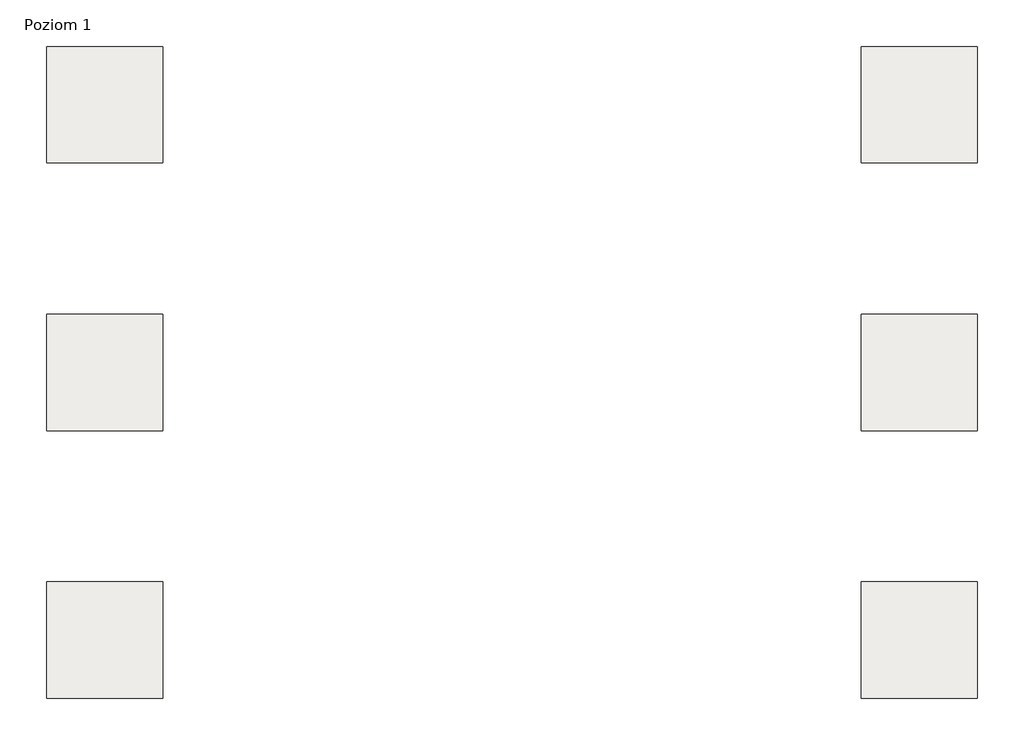
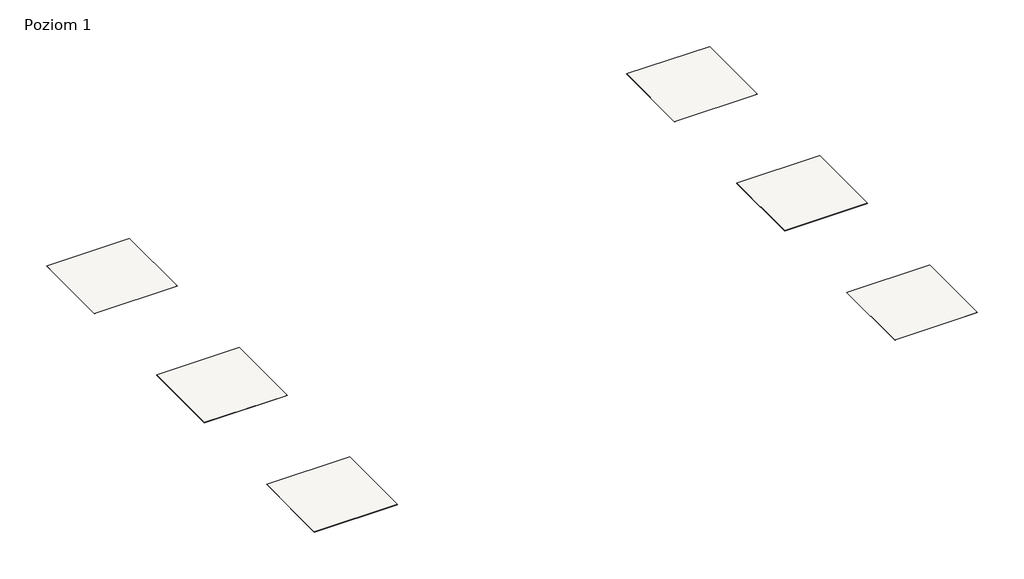
# One storey: 6 slabs.
"""IFC4 building model written with IfcOpenShell, lengths in millimetres."""

import ifcopenshell
import ifcopenshell.guid

model = None  # the IFC model being written
_history = None  # IfcOwnerHistory: only IFC2X3 demands one
_inside = {}  # id of a spatial element -> (the spatial element, [elements in it])
_under = {}  # id of a project, library or spatial element -> (it, [spatial elements below it])
_declared = {}  # id of a project -> (the project, [libraries it declares])
_typed = {}  # id of a type object -> (the type object, [elements of that type])
_made_of = {}  # id of a material, layer set ... -> (it, [elements and type objects made of it])


def new_model(schema):
    """Start an empty IFC model of exactly this schema.

    Asked for "IFC4X3", IfcOpenShell would pick the latest addendum, in which some entities
    have other attributes; the version numbers below select the first issue.
    IFC2X3 requires an IfcOwnerHistory on every rooted entity: one is made here for all.
    """
    global model, _history
    if schema == "IFC4X3":
        model = ifcopenshell.file(schema_version=(4, 3, 0, 0))
    else:
        model = ifcopenshell.file(schema=schema)
    _inside.clear()
    _under.clear()
    _declared.clear()
    _typed.clear()
    _made_of.clear()
    _history = None
    if model.schema == "IFC2X3":
        org = make("IfcOrganization", Name="unknown")
        user = make(
            "IfcPersonAndOrganization",
            ThePerson=make("IfcPerson", FamilyName="unknown"),
            TheOrganization=org,
        )
        app = make(
            "IfcApplication",
            ApplicationDeveloper=org,
            Version="unknown",
            ApplicationFullName="unknown",
            ApplicationIdentifier="unknown",
        )
        _history = make(
            "IfcOwnerHistory",
            OwningUser=user,
            OwningApplication=app,
            ChangeAction="ADDED",
            CreationDate=0,
        )
    return model


def make(cls, **values):
    """One entity of the class cls with the attributes given. An attribute that is None is left unset."""
    return model.create_entity(
        cls, **{name: value for name, value in values.items() if value is not None}
    )


def rooted(cls, **values):
    """An entity with a GlobalId (a new one), such as an element, a storey or a relation."""
    return make(cls, GlobalId=ifcopenshell.guid.new(), OwnerHistory=_history, **values)


def si_unit(unit_type, name, prefix=None):
    """IfcSIUnit, for example si_unit("LENGTHUNIT", "METRE", prefix="MILLI")."""
    return make("IfcSIUnit", UnitType=unit_type, Prefix=prefix, Name=name)


def assignment(units):
    """IfcUnitAssignment: the units of a project."""
    return None if units is None else make("IfcUnitAssignment", Units=units)


def point(xyz):
    """IfcCartesianPoint."""
    return None if xyz is None else make("IfcCartesianPoint", Coordinates=xyz)


def direction(xyz):
    """IfcDirection."""
    return None if xyz is None else make("IfcDirection", DirectionRatios=xyz)


def frame(location, z_axis=None, x_axis=None):
    """IfcAxis2Placement3D, a coordinate frame: its origin and axes. An axis left out is left unset."""
    return make(
        "IfcAxis2Placement3D",
        Location=point(location),
        Axis=direction(z_axis),
        RefDirection=direction(x_axis),
    )


def origin():
    """The frame at (0, 0, 0) with its axes left unset."""
    return frame((0.0, 0.0, 0.0))


def place(relative_to, where):
    """IfcLocalPlacement: puts the frame where relative to a parent placement (None: the world)."""
    return make(
        "IfcLocalPlacement", PlacementRelTo=relative_to, RelativePlacement=where
    )


def context(
    kind, dimensions, precision=None, world=None, true_north=None, identifier=None
):
    """IfcGeometricRepresentationContext, for example the 3D "Model" context."""
    return make(
        "IfcGeometricRepresentationContext",
        ContextIdentifier=identifier,
        ContextType=kind,
        CoordinateSpaceDimension=dimensions,
        Precision=precision,
        WorldCoordinateSystem=world,
        TrueNorth=true_north,
    )


def project(units=None, contexts=None):
    """IfcProject with its units and contexts."""
    return rooted(
        "IfcProject",
        Name="project",
        RepresentationContexts=contexts,
        UnitsInContext=assignment(units),
    )


def spatial(cls, under=None, at=None, **own):
    """A site, building, storey or space (cls), placed at a placement, below another one or the project."""
    s = rooted(cls, ObjectPlacement=at, **own)
    if under is not None:
        _under.setdefault(under.id(), (under, []))[1].append(s)
    return s


def polyline(points):
    """IfcPolyline through the points."""
    return make("IfcPolyline", Points=[point(p) for p in points])


def outline(outer, holes=None, kind="AREA"):
    """IfcArbitraryClosedProfileDef: a profile drawn as a closed curve; with holes, ...WithVoids."""
    if holes is None:
        return make("IfcArbitraryClosedProfileDef", ProfileType=kind, OuterCurve=outer)
    return make(
        "IfcArbitraryProfileDefWithVoids",
        ProfileType=kind,
        OuterCurve=outer,
        InnerCurves=holes,
    )


def extrude(swept, where, along, depth):
    """IfcExtrudedAreaSolid: the profile swept, set in the frame where, extruded along a direction by depth."""
    return make(
        "IfcExtrudedAreaSolid",
        SweptArea=swept,
        Position=where,
        ExtrudedDirection=direction(along),
        Depth=depth,
    )


def shape(context_of_items, identifier, shape_type, items):
    """IfcShapeRepresentation: the items that make up one representation, for example the "Body"."""
    return make(
        "IfcShapeRepresentation",
        ContextOfItems=context_of_items,
        RepresentationIdentifier=identifier,
        RepresentationType=shape_type,
        Items=items,
    )


def made_of(thing, what):
    """Note that an element or type object is made of a material, layer set ...; save() writes the relation."""
    if what is not None:
        _made_of.setdefault(what.id(), (what, []))[1].append(thing)
    return thing


def element(
    cls,
    number,
    at=None,
    inside=None,
    cuts=None,
    type_object=None,
    material=None,
    context=None,
    identifier="Body",
    shape_type=None,
    held_by="IfcProductDefinitionShape",
    body=None,
    shapes=None,
    **own,
):
    """One element of the class cls, such as IfcWall. Its Tag is "e" and its number.

    at: its placement. inside: the storey or other place that contains it. cuts: it is an
    opening in that element (IfcRelVoidsElement). A single representation is given by context,
    identifier, shape_type and body (its items); several are given by shapes. held_by: the class
    of the entity that holds the representations. save() writes the other relations.
    """
    e = rooted(cls, Tag="e%d" % number, ObjectPlacement=at, **own)
    if body is not None:
        shapes = [shape(context, identifier, shape_type, body)]
    if shapes is not None:
        e.Representation = make(held_by, Representations=shapes)
    if inside is not None:
        _inside.setdefault(inside.id(), (inside, []))[1].append(e)
    if cuts is not None:
        rooted(
            "IfcRelVoidsElement", RelatingBuildingElement=cuts, RelatedOpeningElement=e
        )
    if type_object is not None:
        _typed.setdefault(type_object.id(), (type_object, []))[1].append(e)
    return made_of(e, material)


def aggregate(whole, parts):
    """IfcRelAggregates: a whole, such as a stair, and the parts it consists of."""
    return rooted("IfcRelAggregates", RelatingObject=whole, RelatedObjects=parts)


def save(model, path):
    """Write the relations noted so far, then the file.

    IfcRelAggregates (storeys below a building ...), IfcRelContainedInSpatialStructure (elements
    in a storey), IfcRelDefinesByType, IfcRelAssociatesMaterial and IfcRelDeclares: one each for
    every whole, place, type object, material and project.
    """
    for whole, parts in _under.values():
        aggregate(whole, parts)
    for where, things in _inside.values():
        rooted(
            "IfcRelContainedInSpatialStructure",
            RelatedElements=things,
            RelatingStructure=where,
        )
    for kind, things in _typed.values():
        rooted("IfcRelDefinesByType", RelatedObjects=things, RelatingType=kind)
    for what, things in _made_of.values():
        rooted("IfcRelAssociatesMaterial", RelatedObjects=things, RelatingMaterial=what)
    for by, libraries in _declared.values():
        rooted("IfcRelDeclares", RelatingContext=by, RelatedDefinitions=libraries)
    model.write(path)


model = new_model("IFC4")

# Units and contexts
model_context = context("Model", 3, world=origin())
ifc_project = project(units=[si_unit("LENGTHUNIT", "METRE", prefix="MILLI")], contexts=[model_context])

# Site, building, storey
site = spatial("IfcSite", under=ifc_project)
building = spatial("IfcBuilding", under=site)
storey = spatial("IfcBuildingStorey", under=building, Name="Poziom 1", Elevation=0.0)

# Slabs
placement = place(None, origin())
element("IfcSlab", 1, at=placement, inside=storey, context=model_context, shape_type="SweptSolid", body=[
    extrude(outline(polyline([(3036.5009197, 24640.1445193), (3036.5009197, 23640.1445193), (2036.5009197, 23640.1445193), (2036.5009197, 24640.1445193), (3036.5009197, 24640.1445193)])), frame((0.0, 0.0, -3.0), z_axis=(0.0, 0.0, 1.0), x_axis=(1.0, 0.0, 0.0)), (0.0, 0.0, 1.0), 3.0),
])
element("IfcSlab", 2, at=placement, inside=storey, context=model_context, shape_type="SweptSolid", body=[
    extrude(outline(polyline([(3036.5009197, 22340.1445193), (3036.5009197, 21340.1445193), (2036.5009197, 21340.1445193), (2036.5009197, 22340.1445193), (3036.5009197, 22340.1445193)])), frame((0.0, 0.0, -3.0), z_axis=(0.0, 0.0, 1.0), x_axis=(1.0, 0.0, 0.0)), (0.0, 0.0, 1.0), 3.0),
])
element("IfcSlab", 3, at=placement, inside=storey, context=model_context, shape_type="SweptSolid", body=[
    extrude(outline(polyline([(3036.5009197, 20040.1445193), (3036.5009197, 19040.1445193), (2036.5009197, 19040.1445193), (2036.5009197, 20040.1445193), (3036.5009197, 20040.1445193)])), frame((0.0, 0.0, -3.0), z_axis=(0.0, 0.0, 1.0), x_axis=(1.0, 0.0, 0.0)), (0.0, 0.0, 1.0), 3.0),
])
element("IfcSlab", 4, at=placement, inside=storey, context=model_context, shape_type="SweptSolid", body=[
    extrude(outline(polyline([(10036.5009197, 24640.1445193), (10036.5009197, 23640.1445193), (9036.5009197, 23640.1445193), (9036.5009197, 24640.1445193), (10036.5009197, 24640.1445193)])), frame((0.0, 0.0, -3.0), z_axis=(0.0, 0.0, 1.0), x_axis=(1.0, 0.0, 0.0)), (0.0, 0.0, 1.0), 3.0),
])
element("IfcSlab", 5, at=placement, inside=storey, context=model_context, shape_type="SweptSolid", body=[
    extrude(outline(polyline([(10036.5009197, 22340.1445193), (10036.5009197, 21340.1445193), (9036.5009197, 21340.1445193), (9036.5009197, 22340.1445193), (10036.5009197, 22340.1445193)])), frame((0.0, 0.0, -3.0), z_axis=(0.0, 0.0, 1.0), x_axis=(1.0, 0.0, 0.0)), (0.0, 0.0, 1.0), 3.0),
])
element("IfcSlab", 6, at=placement, inside=storey, context=model_context, shape_type="SweptSolid", body=[
    extrude(outline(polyline([(10036.5009197, 20040.1445193), (10036.5009197, 19040.1445193), (9036.5009197, 19040.1445193), (9036.5009197, 20040.1445193), (10036.5009197, 20040.1445193)])), frame((0.0, 0.0, -3.0), z_axis=(0.0, 0.0, 1.0), x_axis=(1.0, 0.0, 0.0)), (0.0, 0.0, 1.0), 3.0),
])

save(model, "model.ifc")
